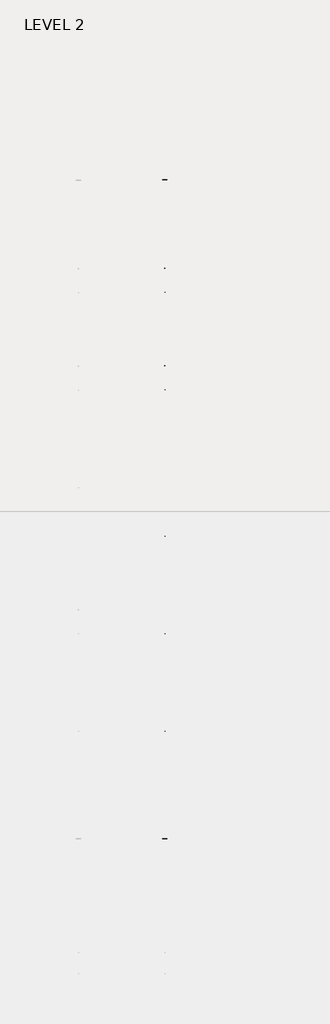
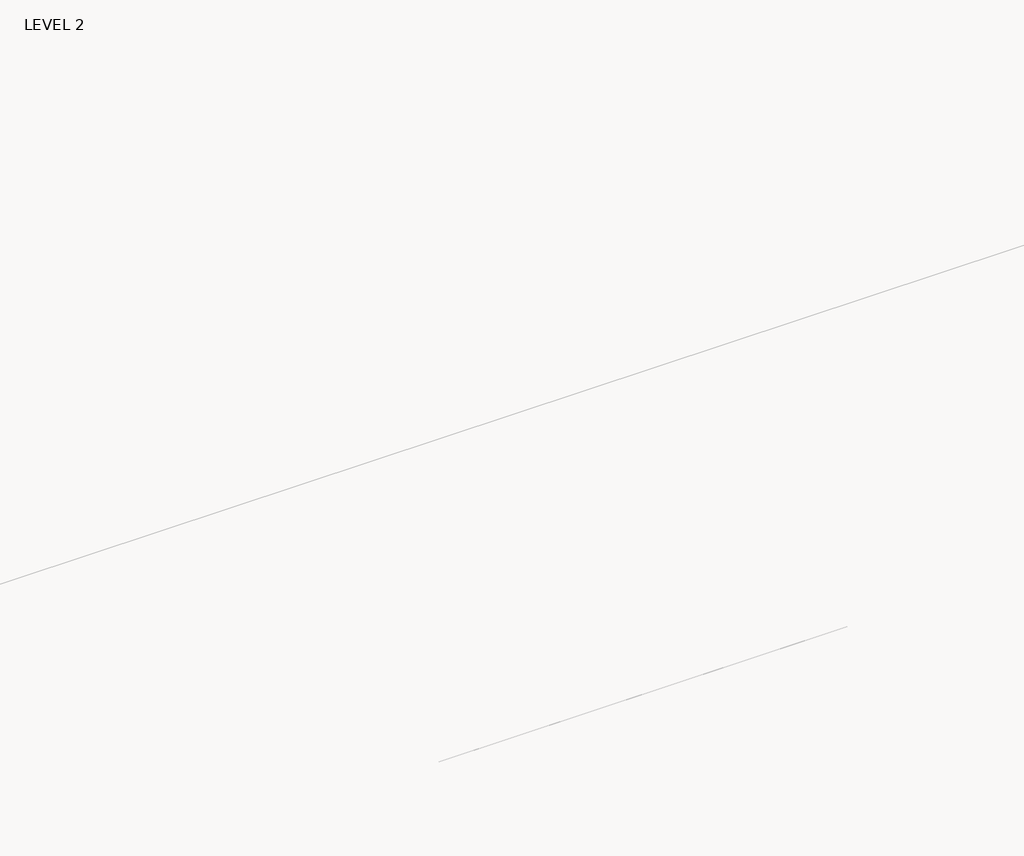
# One storey, part 31 of 67: 1 beam.
"""IFC4 building model written with IfcOpenShell, lengths in millimetres."""

from ifc_helpers import new_model, si_unit, frame, origin, place, context, project, spatial, polyline, outline, extrude, faceted_brep, element, save

model = new_model("IFC4")

# Units and contexts
model_context = context("Model", 3, world=origin())
ifc_project = project(units=[si_unit("LENGTHUNIT", "METRE", prefix="MILLI")], contexts=[model_context])

# Site, building, storey
site = spatial("IfcSite", under=ifc_project)
building = spatial("IfcBuilding", under=site)
storey = spatial("IfcBuildingStorey", under=building, Name="LEVEL 2", Elevation=6908.8)

# Beam
placement = place(None, origin())
element("IfcBeam", 1, ObjectType="K-Series Bar Joist-Angle Web : 30K7", at=placement, inside=storey, context=model_context, shape_type="SolidModel", body=[
    extrude(outline(polyline([(0.0, -9.525), (0.0, 0.0), (1596.011582, 0.0), (1596.011582, -9.525), (0.0, -9.525)])), frame((23243.1014942, 3044.8626864, 6301.1790733), z_axis=(0.0, -0.455532187115413, 0.8902193137097445), x_axis=(0.0, -0.8902193137097445, -0.455532187115413)), (0.0, 0.0, 1.0), 9.525),
    extrude(outline(polyline([(0.0, -9.525), (0.0, 0.0), (1596.011582, 0.0), (1596.011582, -9.525), (0.0, -9.525)])), frame((23233.5764942, -8186.2302468, 6276.414339), z_axis=(0.0, 0.4516018817324928, 0.8922195584135508), x_axis=(0.0, 0.8922195584135508, -0.4516018817324928)), (0.0, 0.0, 1.0), 9.525),
    extrude(outline(polyline([(4.7625, 4.7625), (4.7625, -4.7625001), (-4.7625, -4.7625001), (-4.7625, 4.7625), (4.7625, 4.7625)])), frame((23238.3389942, 1621.8928791, 5578.3840961), z_axis=(0.0, 0.4991267787488518, 0.8665289716655727), x_axis=(-1.0, 0.0, 0.0)), (0.0, 0.0, 1.0), 836.466389),
    extrude(outline(polyline([(4.7625, 4.7625), (4.7625, -4.7625), (-4.7625, -4.7625), (-4.7625, 4.7625), (4.7625, 4.7625)])), frame((23238.3389942, -6760.0867439, 5559.9017009), z_axis=(0.0, -0.5029433262587284, 0.8643193915282743), x_axis=(-1.0, 0.0, 0.0)), (0.0, 0.0, 1.0), 836.466389),
    extrude(outline(polyline([(0.0, 0.0), (31.75, 0.0), (31.75, -6.35), (6.35, -6.35), (6.35, -31.7500001), (0.0, -31.7500001), (0.0, 0.0)])), frame((23243.1014942, -6861.6724951, 5553.3276873), z_axis=(0.0, 0.9999975689621353, 0.002205010163135333), x_axis=(1.0, 0.0, 0.0)), (0.0, 0.0, 1.0), 8585.2),
    extrude(outline(polyline([(-9.525, 0.0), (-9.525, -31.7500001), (-15.875, -31.7500001), (-15.875, -6.35), (-41.275, -6.35), (-41.275, 0.0), (-9.525, 0.0)])), frame((23243.1014942, -6861.6724951, 5553.3276873), z_axis=(0.0, 0.9999975689621353, 0.002205010163135333), x_axis=(1.0, 0.0, 0.0)), (0.0, 0.0, 1.0), 8585.2),
    extrude(outline(polyline([(-31.75, 0.0), (0.0, 0.0), (0.0, -6.35), (-25.4, -6.35), (-25.4, -31.75), (-31.75, -31.75), (-31.75, 0.0)])), frame((23274.8514942, -8285.6092368, 6248.6895828), z_axis=(0.0, 0.9999975689621353, 0.002205010163135333), x_axis=(1.0, 0.0, 0.0)), (0.0, 0.0, 1.0), 101.6),
    extrude(outline(polyline([(-41.275, 0.0), (-41.275, -31.75), (-47.625, -31.75), (-47.625, -6.35), (-73.025, -6.35), (-73.025, 0.0), (-41.275, 0.0)])), frame((23274.8514942, -8285.6092368, 6248.6895828), z_axis=(0.0, 0.9999975689621353, 0.002205010163135333), x_axis=(1.0, 0.0, 0.0)), (0.0, 0.0, 1.0), 101.6),
    extrude(outline(polyline([(0.0, 0.0), (31.75, 0.0), (31.75, -6.35), (6.35, -6.35), (6.35, -31.75), (0.0, -31.75), (0.0, 0.0)])), frame((23233.5764942, 3042.7632234, 6273.6688199), z_axis=(0.0, 0.9999975689621353, 0.002205010163135333), x_axis=(0.0, -0.002205010163135333, 0.9999975689621353)), (0.0, 0.0, 1.0), 101.6),
    extrude(outline(polyline([(0.0, 41.275), (6.35, 41.275), (6.35, 15.875), (31.75, 15.875), (31.75, 9.525), (0.0, 9.525), (0.0, 41.275)])), frame((23233.5764942, 3042.7632234, 6273.6688199), z_axis=(0.0, 0.9999975689621353, 0.002205010163135333), x_axis=(0.0, -0.002205010163135333, 0.9999975689621353)), (0.0, 0.0, 1.0), 101.6),
    extrude(outline(polyline([(0.0, 0.0), (31.75, 0.0), (31.75, -6.35), (6.3499999, -6.35), (6.3499999, -31.75), (0.0, -31.75), (0.0, 0.0)])), frame((23243.1014942, -8285.7492549, 6312.1894284), z_axis=(0.0, 0.9999975689621353, 0.002205010163135333), x_axis=(0.0, 0.002205010163135333, -0.9999975689621353)), (0.0, 0.0, 1.0), 11430.0),
    extrude(outline(polyline([(0.0, 9.525), (0.0, 41.275), (6.3499999, 41.275), (6.3499999, 15.875), (31.75, 15.875), (31.75, 9.525), (0.0, 9.525)])), frame((23243.1014942, -8285.7492549, 6312.1894284), z_axis=(0.0, 0.9999975689621353, 0.002205010163135333), x_axis=(0.0, 0.002205010163135333, -0.9999975689621353)), (0.0, 0.0, 1.0), 11430.0),
    faceted_brep([(23238.3389942, 1621.8578746, 5594.2590575), (23238.3389942, 1621.89988, 5575.2091038), (23233.5764942, 1621.89988, 5575.2091038), (23233.5764942, 1621.8578746, 5594.2590575), (23238.3389942, 1621.1312361, 5594.2574553), (23238.3389942, 1213.1080136, 6329.9595484), (23238.3389942, 1194.7846984, 6329.9191452), (23238.3389942, 1194.8267038, 6310.8691916), (23238.3389942, 1201.9033269, 6310.8847956), (23238.3389942, 1609.9265494, 5575.1827025), (23233.5764942, 1609.9265494, 5575.1827025), (23233.5764942, 1590.5806207, 5610.0651293), (23233.5764942, 1594.7454764, 5612.3749743), (23233.5764942, 1214.8617864, 6297.3389921), (23233.5764942, 1210.6969308, 6295.0291471), (23233.5764942, 1201.9033269, 6310.8847956), (23233.5764942, 1194.8267038, 6310.8691916), (23233.5764942, 1194.7846984, 6329.9191452), (23233.5764942, 1213.1080136, 6329.9595484), (23233.5764942, 1621.1312361, 5594.2574553), (23220.8764942, 1210.6969308, 6295.0291471), (23220.8764942, 1590.5806207, 5610.0651293), (23220.8764942, 1594.7454764, 5612.3749743), (23220.8764942, 1214.8617864, 6297.3389921)], [[[0, 1, 2, 3]], [[1, 0, 4, 5, 6, 7, 8, 9]], [[2, 1, 9, 10]], [[3, 2, 10, 11, 12, 13, 14, 15, 16, 17, 18, 19]], [[0, 3, 19, 4]], [[9, 8, 15, 14, 20, 21, 11, 10]], [[5, 4, 19, 18]], [[7, 6, 17, 16]], [[8, 7, 16, 15]], [[6, 5, 18, 17]], [[21, 22, 12, 11]], [[20, 14, 13, 23]], [[22, 21, 20, 23]], [[12, 22, 23, 13]]]),
    extrude(outline(polyline([(783.7019177, 5573.3608643), (783.6599123, 5592.410818), (784.3865508, 5592.4124203), (1189.1613523, 6329.9067457), (1207.4846675, 6329.9471489), (1207.526673, 6310.8971952), (1200.4500499, 6310.8815911), (795.6752484, 5573.3872657), (783.7019177, 5573.3608643)])), frame((23238.3389942, 0.0, 0.0), z_axis=(1.0, 0.0, 0.0), x_axis=(0.0, 1.0, 0.0)), (0.0, 0.0, 1.0), 4.7625),
    extrude(outline(polyline([(-4.7625, 4.7625), (-4.7625, 0.0), (-17.4625, 0.0), (-17.4625, 4.7625), (-4.7625, 4.7625)])), frame((23238.3389942, 814.8671571, 5608.3546691), z_axis=(0.0, 0.48114551084013607, 0.8766407459149869), x_axis=(-1.0, 0.0, 0.0)), (0.0, 0.0, 1.0), 783.254316),
    faceted_brep([(23238.3389942, -5921.9237861, 5577.6249019), (23238.3389942, -5921.8817807, 5558.5749482), (23233.5764942, -5921.8817807, 5558.5749482), (23233.5764942, -5921.9237861, 5577.6249019), (23238.3389942, -5922.6504246, 5577.6232996), (23238.3389942, -6330.6736471, 6313.3253928), (23238.3389942, -6348.9969623, 6313.2849896), (23238.3389942, -6348.9549569, 6294.2350359), (23238.3389942, -6341.8783338, 6294.25064), (23238.3389942, -5933.8551113, 5558.5485468), (23233.5764942, -5933.8551113, 5558.5485468), (23233.5764942, -5953.20104, 5593.4309736), (23233.5764942, -5949.0361844, 5595.7408186), (23233.5764942, -6328.9198743, 6280.7048364), (23233.5764942, -6333.0847299, 6278.3949914), (23233.5764942, -6341.8783338, 6294.25064), (23233.5764942, -6348.9549569, 6294.2350359), (23233.5764942, -6348.9969623, 6313.2849896), (23233.5764942, -6330.6736471, 6313.3253928), (23233.5764942, -5922.6504246, 5577.6232996), (23220.8764942, -6333.0847299, 6278.3949914), (23220.8764942, -5953.20104, 5593.4309736), (23220.8764942, -5949.0361844, 5595.7408186), (23220.8764942, -6328.9198743, 6280.7048364)], [[[0, 1, 2, 3]], [[1, 0, 4, 5, 6, 7, 8, 9]], [[2, 1, 9, 10]], [[3, 2, 10, 11, 12, 13, 14, 15, 16, 17, 18, 19]], [[0, 3, 19, 4]], [[9, 8, 15, 14, 20, 21, 11, 10]], [[5, 4, 19, 18]], [[7, 6, 17, 16]], [[8, 7, 16, 15]], [[6, 5, 18, 17]], [[21, 22, 12, 11]], [[20, 14, 13, 23]], [[22, 21, 20, 23]], [[12, 22, 23, 13]]]),
    extrude(outline(polyline([(-6760.079743, 5556.7267086), (-6760.1217484, 5575.7766623), (-6759.39511, 5575.7782646), (-6354.6203084, 6313.27259), (-6336.2969932, 6313.3129932), (-6336.2549878, 6294.2630395), (-6343.3316108, 6294.2474355), (-6748.1064123, 5556.75311), (-6760.079743, 5556.7267086)])), frame((23238.3389942, 0.0, 0.0), z_axis=(1.0, 0.0, 0.0), x_axis=(0.0, 1.0, 0.0)), (0.0, 0.0, 1.0), 4.7625),
    extrude(outline(polyline([(-4.7625, 4.7625), (-4.7625, 0.0), (-17.4625, 0.0), (-17.4625, 4.7625), (-4.7625, 4.7625)])), frame((23238.3389942, -6728.9145037, 5591.7205134), z_axis=(0.0, 0.48114551084013607, 0.8766407459149869), x_axis=(-1.0, 0.0, 0.0)), (0.0, 0.0, 1.0), 783.254316),
    faceted_brep([(23238.3389942, 783.6599123, 5592.410818), (23238.3389942, 783.7019177, 5573.3608643), (23233.5764942, 783.7019177, 5573.3608643), (23233.5764942, 783.6599123, 5592.410818), (23238.3389942, 782.9332738, 5592.4092158), (23238.3389942, 374.9100513, 6328.1113089), (23238.3389942, 356.5867361, 6328.0709057), (23238.3389942, 356.6287415, 6309.020952), (23238.3389942, 363.7053646, 6309.0365561), (23238.3389942, 771.7285871, 5573.3344629), (23233.5764942, 771.7285871, 5573.3344629), (23233.5764942, 752.3826584, 5608.2168898), (23233.5764942, 756.5475141, 5610.5267348), (23233.5764942, 376.6638241, 6295.4907526), (23233.5764942, 372.4989685, 6293.1809075), (23233.5764942, 363.7053646, 6309.0365561), (23233.5764942, 356.6287415, 6309.020952), (23233.5764942, 356.5867361, 6328.0709057), (23233.5764942, 374.9100513, 6328.1113089), (23233.5764942, 782.9332738, 5592.4092158), (23220.8764942, 372.4989685, 6293.1809075), (23220.8764942, 752.3826584, 5608.2168898), (23220.8764942, 756.5475141, 5610.5267348), (23220.8764942, 376.6638241, 6295.4907526)], [[[0, 1, 2, 3]], [[1, 0, 4, 5, 6, 7, 8, 9]], [[2, 1, 9, 10]], [[3, 2, 10, 11, 12, 13, 14, 15, 16, 17, 18, 19]], [[0, 3, 19, 4]], [[9, 8, 15, 14, 20, 21, 11, 10]], [[5, 4, 19, 18]], [[7, 6, 17, 16]], [[8, 7, 16, 15]], [[6, 5, 18, 17]], [[21, 22, 12, 11]], [[20, 14, 13, 23]], [[22, 21, 20, 23]], [[12, 22, 23, 13]]]),
    extrude(outline(polyline([(-54.4960446, 5571.5126248), (-54.53805, 5590.5625785), (-53.8114115, 5590.5641807), (350.96339, 6328.0585062), (369.2867052, 6328.0989094), (369.3287107, 6309.0489557), (362.2520876, 6309.0333516), (-42.5227139, 5571.5390262), (-54.4960446, 5571.5126248)])), frame((23238.3389942, 0.0, 0.0), z_axis=(1.0, 0.0, 0.0), x_axis=(0.0, 1.0, 0.0)), (0.0, 0.0, 1.0), 4.7625),
    extrude(outline(polyline([(-4.7625, 4.7625), (-4.7625, 0.0), (-17.4625, 0.0), (-17.4625, 4.7625), (-4.7625, 4.7625)])), frame((23238.3389942, -23.3308052, 5606.5064295), z_axis=(0.0, 0.48114551084013607, 0.8766407459149869), x_axis=(-1.0, 0.0, 0.0)), (0.0, 0.0, 1.0), 783.254316),
    faceted_brep([(23238.3389942, -54.53805, 5590.5625785), (23238.3389942, -54.4960446, 5571.5126248), (23233.5764942, -54.4960446, 5571.5126248), (23233.5764942, -54.53805, 5590.5625785), (23238.3389942, -55.2646885, 5590.5609762), (23238.3389942, -463.287911, 6326.2630694), (23238.3389942, -481.6112262, 6326.2226662), (23238.3389942, -481.5692208, 6307.1727125), (23238.3389942, -474.4925977, 6307.1883166), (23238.3389942, -66.4693752, 5571.4862234), (23233.5764942, -66.4693752, 5571.4862234), (23233.5764942, -85.8153039, 5606.3686503), (23233.5764942, -81.6504482, 5608.6784953), (23233.5764942, -461.5341382, 6293.642513), (23233.5764942, -465.6989938, 6291.332668), (23233.5764942, -474.4925977, 6307.1883166), (23233.5764942, -481.5692208, 6307.1727125), (23233.5764942, -481.6112262, 6326.2226662), (23233.5764942, -463.287911, 6326.2630694), (23233.5764942, -55.2646885, 5590.5609762), (23220.8764942, -465.6989938, 6291.332668), (23220.8764942, -85.8153039, 5606.3686503), (23220.8764942, -81.6504482, 5608.6784953), (23220.8764942, -461.5341382, 6293.642513)], [[[0, 1, 2, 3]], [[1, 0, 4, 5, 6, 7, 8, 9]], [[2, 1, 9, 10]], [[3, 2, 10, 11, 12, 13, 14, 15, 16, 17, 18, 19]], [[0, 3, 19, 4]], [[9, 8, 15, 14, 20, 21, 11, 10]], [[5, 4, 19, 18]], [[7, 6, 17, 16]], [[8, 7, 16, 15]], [[6, 5, 18, 17]], [[21, 22, 12, 11]], [[20, 14, 13, 23]], [[22, 21, 20, 23]], [[12, 22, 23, 13]]]),
    extrude(outline(polyline([(-892.6940069, 5569.6643853), (-892.7360123, 5588.714339), (-892.0093738, 5588.7159412), (-487.2345723, 6326.2102666), (-468.9112571, 6326.2506698), (-468.8692516, 6307.2007162), (-475.9458747, 6307.1851121), (-880.7206762, 5569.6907867), (-892.6940069, 5569.6643853)])), frame((23238.3389942, 0.0, 0.0), z_axis=(1.0, 0.0, 0.0), x_axis=(0.0, 1.0, 0.0)), (0.0, 0.0, 1.0), 4.7625),
    extrude(outline(polyline([(-4.7625, 4.7625), (-4.7625, 0.0), (-17.4625, 0.0), (-17.4625, 4.7625), (-4.7625, 4.7625)])), frame((23238.3389942, -861.5287675, 5604.65819), z_axis=(0.0, 0.48114551084013607, 0.8766407459149869), x_axis=(-1.0, 0.0, 0.0)), (0.0, 0.0, 1.0), 783.254316),
    faceted_brep([(23238.3389942, -892.7360123, 5588.714339), (23238.3389942, -892.6940069, 5569.6643853), (23233.5764942, -892.6940069, 5569.6643853), (23233.5764942, -892.7360123, 5588.714339), (23238.3389942, -893.4626508, 5588.7127367), (23238.3389942, -1301.4858733, 6324.4148299), (23238.3389942, -1319.8091885, 6324.3744267), (23238.3389942, -1319.7671831, 6305.324473), (23238.3389942, -1312.69056, 6305.3400771), (23238.3389942, -904.6673375, 5569.6379839), (23233.5764942, -904.6673375, 5569.6379839), (23233.5764942, -924.0132662, 5604.5204107), (23233.5764942, -919.8484105, 5606.8302557), (23233.5764942, -1299.7321005, 6291.7942735), (23233.5764942, -1303.8969561, 6289.4844285), (23233.5764942, -1312.69056, 6305.3400771), (23233.5764942, -1319.7671831, 6305.324473), (23233.5764942, -1319.8091885, 6324.3744267), (23233.5764942, -1301.4858733, 6324.4148299), (23233.5764942, -893.4626508, 5588.7127367), (23220.8764942, -1303.8969561, 6289.4844285), (23220.8764942, -924.0132662, 5604.5204107), (23220.8764942, -919.8484105, 5606.8302557), (23220.8764942, -1299.7321005, 6291.7942735)], [[[0, 1, 2, 3]], [[1, 0, 4, 5, 6, 7, 8, 9]], [[2, 1, 9, 10]], [[3, 2, 10, 11, 12, 13, 14, 15, 16, 17, 18, 19]], [[0, 3, 19, 4]], [[9, 8, 15, 14, 20, 21, 11, 10]], [[5, 4, 19, 18]], [[7, 6, 17, 16]], [[8, 7, 16, 15]], [[6, 5, 18, 17]], [[21, 22, 12, 11]], [[20, 14, 13, 23]], [[22, 21, 20, 23]], [[12, 22, 23, 13]]]),
    extrude(outline(polyline([(-1730.8919692, 5567.8161458), (-1730.9339746, 5586.8660995), (-1730.2073361, 5586.8677017), (-1325.4325346, 6324.3620271), (-1307.1092194, 6324.4024303), (-1307.0672139, 6305.3524766), (-1314.143837, 6305.3368726), (-1718.9186385, 5567.8425471), (-1730.8919692, 5567.8161458)])), frame((23238.3389942, 0.0, 0.0), z_axis=(1.0, 0.0, 0.0), x_axis=(0.0, 1.0, 0.0)), (0.0, 0.0, 1.0), 4.7625),
    extrude(outline(polyline([(-4.7625, 4.7625), (-4.7625, 0.0), (-17.4625, 0.0), (-17.4625, 4.7625), (-4.7625, 4.7625)])), frame((23238.3389942, -1699.7267298, 5602.8099505), z_axis=(0.0, 0.48114551084013607, 0.8766407459149869), x_axis=(-1.0, 0.0, 0.0)), (0.0, 0.0, 1.0), 783.254316),
    faceted_brep([(23238.3389942, -1730.9339746, 5586.8660995), (23238.3389942, -1730.8919692, 5567.8161458), (23233.5764942, -1730.8919692, 5567.8161458), (23233.5764942, -1730.9339746, 5586.8660995), (23238.3389942, -1731.6606131, 5586.8644972), (23238.3389942, -2139.6838356, 6322.5665904), (23238.3389942, -2158.0071508, 6322.5261872), (23238.3389942, -2157.9651454, 6303.4762335), (23238.3389942, -2150.8885223, 6303.4918375), (23238.3389942, -1742.8652998, 5567.7897444), (23233.5764942, -1742.8652998, 5567.7897444), (23233.5764942, -1762.2112285, 5602.6721712), (23233.5764942, -1758.0463729, 5604.9820162), (23233.5764942, -2137.9300628, 6289.946034), (23233.5764942, -2142.0949184, 6287.636189), (23233.5764942, -2150.8885223, 6303.4918375), (23233.5764942, -2157.9651454, 6303.4762335), (23233.5764942, -2158.0071508, 6322.5261872), (23233.5764942, -2139.6838356, 6322.5665904), (23233.5764942, -1731.6606131, 5586.8644972), (23220.8764942, -2142.0949184, 6287.636189), (23220.8764942, -1762.2112285, 5602.6721712), (23220.8764942, -1758.0463729, 5604.9820162), (23220.8764942, -2137.9300628, 6289.946034)], [[[0, 1, 2, 3]], [[1, 0, 4, 5, 6, 7, 8, 9]], [[2, 1, 9, 10]], [[3, 2, 10, 11, 12, 13, 14, 15, 16, 17, 18, 19]], [[0, 3, 19, 4]], [[9, 8, 15, 14, 20, 21, 11, 10]], [[5, 4, 19, 18]], [[7, 6, 17, 16]], [[8, 7, 16, 15]], [[6, 5, 18, 17]], [[21, 22, 12, 11]], [[20, 14, 13, 23]], [[22, 21, 20, 23]], [[12, 22, 23, 13]]]),
    extrude(outline(polyline([(-2569.0899315, 5565.9679062), (-2569.1319369, 5585.0178599), (-2568.4052984, 5585.0194622), (-2163.6304969, 6322.5137876), (-2145.3071817, 6322.5541908), (-2145.2651762, 6303.5042371), (-2152.3417993, 6303.4886331), (-2557.1166008, 5565.9943076), (-2569.0899315, 5565.9679062)])), frame((23238.3389942, 0.0, 0.0), z_axis=(1.0, 0.0, 0.0), x_axis=(0.0, 1.0, 0.0)), (0.0, 0.0, 1.0), 4.7625),
    extrude(outline(polyline([(-4.7625, 4.7625), (-4.7625, 0.0), (-17.4625, 0.0), (-17.4625, 4.7625), (-4.7625, 4.7625)])), frame((23238.3389942, -2537.9246921, 5600.961711), z_axis=(0.0, 0.48114551084013607, 0.8766407459149869), x_axis=(-1.0, 0.0, 0.0)), (0.0, 0.0, 1.0), 783.254316),
    faceted_brep([(23238.3389942, -2569.1319369, 5585.0178599), (23238.3389942, -2569.0899315, 5565.9679062), (23233.5764942, -2569.0899315, 5565.9679062), (23233.5764942, -2569.1319369, 5585.0178599), (23238.3389942, -2569.8585754, 5585.0162577), (23238.3389942, -2977.8817979, 6320.7183509), (23238.3389942, -2996.2051131, 6320.6779477), (23238.3389942, -2996.1631077, 6301.627994), (23238.3389942, -2989.0864846, 6301.643598), (23238.3389942, -2581.0632621, 5565.9415049), (23233.5764942, -2581.0632621, 5565.9415049), (23233.5764942, -2600.4091908, 5600.8239317), (23233.5764942, -2596.2443352, 5603.1337767), (23233.5764942, -2976.1280251, 6288.0977945), (23233.5764942, -2980.2928807, 6285.7879495), (23233.5764942, -2989.0864846, 6301.643598), (23233.5764942, -2996.1631077, 6301.627994), (23233.5764942, -2996.2051131, 6320.6779477), (23233.5764942, -2977.8817979, 6320.7183509), (23233.5764942, -2569.8585754, 5585.0162577), (23220.8764942, -2980.2928807, 6285.7879495), (23220.8764942, -2600.4091908, 5600.8239317), (23220.8764942, -2596.2443352, 5603.1337767), (23220.8764942, -2976.1280251, 6288.0977945)], [[[0, 1, 2, 3]], [[1, 0, 4, 5, 6, 7, 8, 9]], [[2, 1, 9, 10]], [[3, 2, 10, 11, 12, 13, 14, 15, 16, 17, 18, 19]], [[0, 3, 19, 4]], [[9, 8, 15, 14, 20, 21, 11, 10]], [[5, 4, 19, 18]], [[7, 6, 17, 16]], [[8, 7, 16, 15]], [[6, 5, 18, 17]], [[21, 22, 12, 11]], [[20, 14, 13, 23]], [[22, 21, 20, 23]], [[12, 22, 23, 13]]]),
    extrude(outline(polyline([(-3407.2878938, 5564.1196667), (-3407.3298992, 5583.1696204), (-3406.6032607, 5583.1712227), (-3001.8284592, 6320.6655481), (-2983.505144, 6320.7059513), (-2983.4631385, 6301.6559976), (-2990.5397616, 6301.6403935), (-3395.3145631, 5564.1460681), (-3407.2878938, 5564.1196667)])), frame((23238.3389942, 0.0, 0.0), z_axis=(1.0, 0.0, 0.0), x_axis=(0.0, 1.0, 0.0)), (0.0, 0.0, 1.0), 4.7625),
    extrude(outline(polyline([(-4.7625, 4.7625), (-4.7625, 0.0), (-17.4625, 0.0), (-17.4625, 4.7625), (-4.7625, 4.7625)])), frame((23238.3389942, -3376.1226544, 5599.1134715), z_axis=(0.0, 0.48114551084013607, 0.8766407459149869), x_axis=(-1.0, 0.0, 0.0)), (0.0, 0.0, 1.0), 783.254316),
    faceted_brep([(23238.3389942, -3407.3298992, 5583.1696204), (23238.3389942, -3407.2878938, 5564.1196667), (23233.5764942, -3407.2878938, 5564.1196667), (23233.5764942, -3407.3298992, 5583.1696204), (23238.3389942, -3408.0565377, 5583.1680182), (23238.3389942, -3816.0797602, 6318.8701113), (23238.3389942, -3834.4030754, 6318.8297081), (23238.3389942, -3834.36107, 6299.7797544), (23238.3389942, -3827.2844469, 6299.7953585), (23238.3389942, -3419.2612244, 5564.0932653), (23233.5764942, -3419.2612244, 5564.0932653), (23233.5764942, -3438.6071531, 5598.9756922), (23233.5764942, -3434.4422975, 5601.2855372), (23233.5764942, -3814.3259874, 6286.249555), (23233.5764942, -3818.490843, 6283.93971), (23233.5764942, -3827.2844469, 6299.7953585), (23233.5764942, -3834.36107, 6299.7797544), (23233.5764942, -3834.4030754, 6318.8297081), (23233.5764942, -3816.0797602, 6318.8701113), (23233.5764942, -3408.0565377, 5583.1680182), (23220.8764942, -3818.490843, 6283.93971), (23220.8764942, -3438.6071531, 5598.9756922), (23220.8764942, -3434.4422975, 5601.2855372), (23220.8764942, -3814.3259874, 6286.249555)], [[[0, 1, 2, 3]], [[1, 0, 4, 5, 6, 7, 8, 9]], [[2, 1, 9, 10]], [[3, 2, 10, 11, 12, 13, 14, 15, 16, 17, 18, 19]], [[0, 3, 19, 4]], [[9, 8, 15, 14, 20, 21, 11, 10]], [[5, 4, 19, 18]], [[7, 6, 17, 16]], [[8, 7, 16, 15]], [[6, 5, 18, 17]], [[21, 22, 12, 11]], [[20, 14, 13, 23]], [[22, 21, 20, 23]], [[12, 22, 23, 13]]]),
    extrude(outline(polyline([(-4245.4858561, 5562.2714272), (-4245.5278615, 5581.3213809), (-4244.801223, 5581.3229831), (-3840.0264215, 6318.8173086), (-3821.7031063, 6318.8577118), (-3821.6611009, 6299.8077581), (-3828.7377239, 6299.792154), (-4233.5125254, 5562.2978286), (-4245.4858561, 5562.2714272)])), frame((23238.3389942, 0.0, 0.0), z_axis=(1.0, 0.0, 0.0), x_axis=(0.0, 1.0, 0.0)), (0.0, 0.0, 1.0), 4.7625),
    extrude(outline(polyline([(-4.7625, 4.7625), (-4.7625, 0.0), (-17.4625, 0.0), (-17.4625, 4.7625), (-4.7625, 4.7625)])), frame((23238.3389942, -4214.3206167, 5597.2652319), z_axis=(0.0, 0.48114551084013607, 0.8766407459149869), x_axis=(-1.0, 0.0, 0.0)), (0.0, 0.0, 1.0), 783.254316),
    faceted_brep([(23238.3389942, -4245.5278615, 5581.3213809), (23238.3389942, -4245.4858561, 5562.2714272), (23233.5764942, -4245.4858561, 5562.2714272), (23233.5764942, -4245.5278615, 5581.3213809), (23238.3389942, -4246.2545, 5581.3197786), (23238.3389942, -4654.2777225, 6317.0218718), (23238.3389942, -4672.6010377, 6316.9814686), (23238.3389942, -4672.5590323, 6297.9315149), (23238.3389942, -4665.4824092, 6297.947119), (23238.3389942, -4257.4591867, 5562.2450258), (23233.5764942, -4257.4591867, 5562.2450258), (23233.5764942, -4276.8051154, 5597.1274527), (23233.5764942, -4272.6402598, 5599.4372977), (23233.5764942, -4652.5239497, 6284.4013154), (23233.5764942, -4656.6888053, 6282.0914704), (23233.5764942, -4665.4824092, 6297.947119), (23233.5764942, -4672.5590323, 6297.9315149), (23233.5764942, -4672.6010377, 6316.9814686), (23233.5764942, -4654.2777225, 6317.0218718), (23233.5764942, -4246.2545, 5581.3197786), (23220.8764942, -4656.6888053, 6282.0914704), (23220.8764942, -4276.8051154, 5597.1274527), (23220.8764942, -4272.6402598, 5599.4372977), (23220.8764942, -4652.5239497, 6284.4013154)], [[[0, 1, 2, 3]], [[1, 0, 4, 5, 6, 7, 8, 9]], [[2, 1, 9, 10]], [[3, 2, 10, 11, 12, 13, 14, 15, 16, 17, 18, 19]], [[0, 3, 19, 4]], [[9, 8, 15, 14, 20, 21, 11, 10]], [[5, 4, 19, 18]], [[7, 6, 17, 16]], [[8, 7, 16, 15]], [[6, 5, 18, 17]], [[21, 22, 12, 11]], [[20, 14, 13, 23]], [[22, 21, 20, 23]], [[12, 22, 23, 13]]]),
    extrude(outline(polyline([(-5083.6838184, 5560.4231877), (-5083.7258238, 5579.4731414), (-5082.9991853, 5579.4747436), (-4678.2243838, 6316.9690691), (-4659.9010686, 6317.0094722), (-4659.8590632, 6297.9595186), (-4666.9356862, 6297.9439145), (-5071.7104877, 5560.4495891), (-5083.6838184, 5560.4231877)])), frame((23238.3389942, 0.0, 0.0), z_axis=(1.0, 0.0, 0.0), x_axis=(0.0, 1.0, 0.0)), (0.0, 0.0, 1.0), 4.7625),
    extrude(outline(polyline([(-4.7625, 4.7625), (-4.7625, 0.0), (-17.4625, 0.0), (-17.4625, 4.7625), (-4.7625, 4.7625)])), frame((23238.3389942, -5052.518579, 5595.4169924), z_axis=(0.0, 0.48114551084013607, 0.8766407459149869), x_axis=(-1.0, 0.0, 0.0)), (0.0, 0.0, 1.0), 783.254316),
    faceted_brep([(23238.3389942, -5083.7258238, 5579.4731414), (23238.3389942, -5083.6838184, 5560.4231877), (23233.5764942, -5083.6838184, 5560.4231877), (23233.5764942, -5083.7258238, 5579.4731414), (23238.3389942, -5084.4524623, 5579.4715391), (23238.3389942, -5492.4756848, 6315.1736323), (23238.3389942, -5510.799, 6315.1332291), (23238.3389942, -5510.7569946, 6296.0832754), (23238.3389942, -5503.6803715, 6296.0988795), (23238.3389942, -5095.657149, 5560.3967863), (23233.5764942, -5095.657149, 5560.3967863), (23233.5764942, -5115.0030777, 5595.2792131), (23233.5764942, -5110.8382221, 5597.5890581), (23233.5764942, -5490.721912, 6282.5530759), (23233.5764942, -5494.8867676, 6280.2432309), (23233.5764942, -5503.6803715, 6296.0988795), (23233.5764942, -5510.7569946, 6296.0832754), (23233.5764942, -5510.799, 6315.1332291), (23233.5764942, -5492.4756848, 6315.1736323), (23233.5764942, -5084.4524623, 5579.4715391), (23220.8764942, -5494.8867676, 6280.2432309), (23220.8764942, -5115.0030777, 5595.2792131), (23220.8764942, -5110.8382221, 5597.5890581), (23220.8764942, -5490.721912, 6282.5530759)], [[[0, 1, 2, 3]], [[1, 0, 4, 5, 6, 7, 8, 9]], [[2, 1, 9, 10]], [[3, 2, 10, 11, 12, 13, 14, 15, 16, 17, 18, 19]], [[0, 3, 19, 4]], [[9, 8, 15, 14, 20, 21, 11, 10]], [[5, 4, 19, 18]], [[7, 6, 17, 16]], [[8, 7, 16, 15]], [[6, 5, 18, 17]], [[21, 22, 12, 11]], [[20, 14, 13, 23]], [[22, 21, 20, 23]], [[12, 22, 23, 13]]]),
    extrude(outline(polyline([(-5921.8817807, 5558.5749482), (-5921.9237861, 5577.6249019), (-5921.1971477, 5577.6265041), (-5516.4223461, 6315.1208295), (-5498.0990309, 6315.1612327), (-5498.0570255, 6296.111279), (-5505.1336485, 6296.095675), (-5909.90845, 5558.6013495), (-5921.8817807, 5558.5749482)])), frame((23238.3389942, 0.0, 0.0), z_axis=(1.0, 0.0, 0.0), x_axis=(0.0, 1.0, 0.0)), (0.0, 0.0, 1.0), 4.7625),
    extrude(outline(polyline([(-4.7625, 4.7625), (-4.7625, 0.0), (-17.4625, 0.0), (-17.4625, 4.7625), (-4.7625, 4.7625)])), frame((23238.3389942, -5890.7165413, 5593.5687529), z_axis=(0.0, 0.48114551084013607, 0.8766407459149869), x_axis=(-1.0, 0.0, 0.0)), (0.0, 0.0, 1.0), 783.254316),
])

save(model, "model.ifc")
